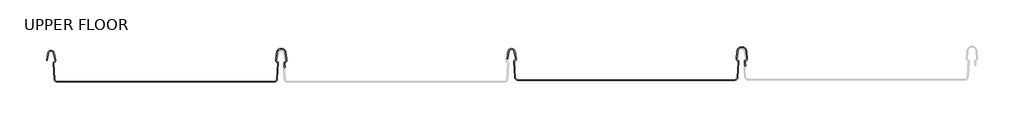
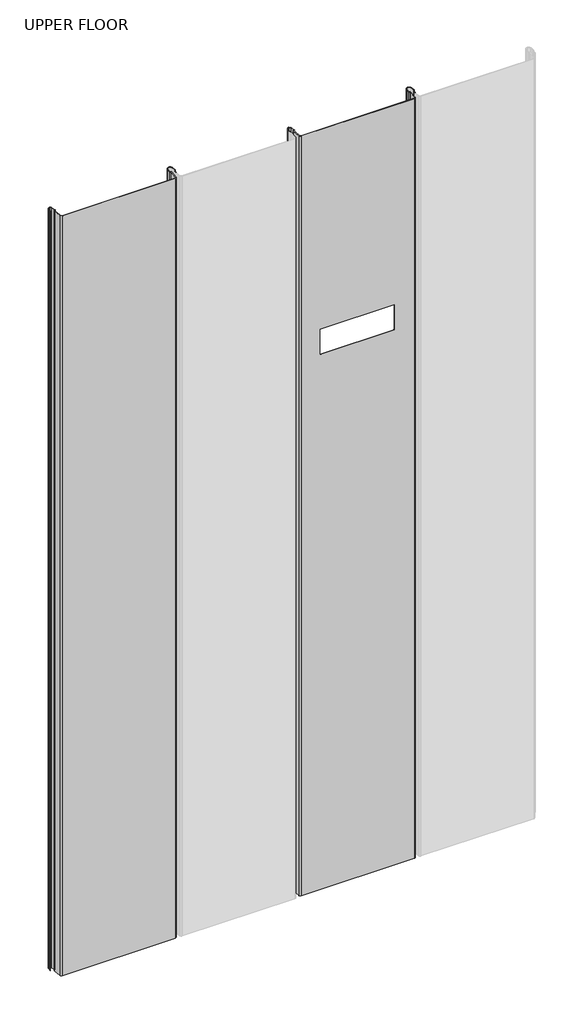
# One storey, part 1 of 2: 2 beams.
"""IFC4 building model written with IfcOpenShell, lengths in millimetres."""

from ifc_helpers import new_model, si_unit, frame, origin, place, context, project, spatial, polyline, circle_curve, element, save
from ifc_brep_helpers import plane_surface, cylinder_surface, revolved_surface, advanced_brep

model = new_model("IFC4")

# Units and contexts
model_context = context("Model", 3, world=origin())
ifc_project = project(units=[si_unit("LENGTHUNIT", "METRE", prefix="MILLI")], contexts=[model_context])

# Site, building, storey
site = spatial("IfcSite", under=ifc_project)
building = spatial("IfcBuilding", under=site)
storey = spatial("IfcBuildingStorey", under=building, Name="UPPER FLOOR", Elevation=2700.0)

# Beams
placement = place(None, origin())
element("IfcBeam", 1, at=placement, inside=storey, context=model_context, shape_type="AdvancedBrep", body=[
    advanced_brep(
    [(6674.6074812, 628.2201201, -1950.7143486), (6679.1415066, 631.9956988, -1950.7143486), (6683.6483211, 628.356375, -1950.7143486), (6686.0953205, 616.997438, -1950.7143486), (6684.4366612, 614.5430386, -1950.7143486), (6683.2674963, 612.8319985, -1950.7143486), (6684.7580179, 589.4223075, -1950.7143486), (6688.4524696, 585.9574151, -1950.7143486), (7008.7014224, 585.9574151, -1950.7143486), (7012.3941998, 589.4263408, -1950.7143486), (7013.863703, 612.9103404, -1950.7143486), (7013.2357754, 613.8437584, -1950.7143486), (7011.0241375, 616.90955, -1950.7143486), (7011.9076763, 628.086053, -1950.7143486), (7019.1373283, 634.7667329, -1950.7143486), (7026.3669802, 628.086053, -1950.7143486), (7027.250519, 616.90955, -1950.7143486), (7025.0388811, 613.8437584, -1950.7143486), (7024.4109535, 612.9103404, -1950.7143486), (7024.8026679, 606.6503868, -1950.7143486), (7023.8007121, 606.6503868, -1950.7143486), (7023.3933033, 613.16115, -1950.7143486), (7024.7987192, 614.8146121, -1950.7143486), (7026.2531398, 616.8307426, -1950.7143486), (7025.3634494, 628.0850624, -1950.7143486), (7019.1373283, 633.7667329, -1950.7143486), (7012.9044722, 628.0060562, -1950.7143486), (7012.0168735, 616.7508552, -1950.7143486), (7013.4759373, 614.8146121, -1950.7143486), (7014.8813532, 613.16115, -1950.7143486), (7013.3922477, 589.3638883, -1950.7143486), (7008.7014224, 584.9574151, -1950.7143486), (6688.4527147, 584.9574151, -1950.7143486), (6683.7600388, 589.358765, -1950.7143486), (6682.2693043, 612.7718001, -1950.7143486), (6684.1728851, 615.5084126, -1950.7143486), (6685.1095284, 616.8249628, -1950.7143486), (6682.6938433, 628.029296, -1950.7143486), (6679.1309976, 630.9966846, -1950.7143486), (6675.6570034, 628.4009943, -1950.7143486), (6673.6297526, 617.2930037, -1950.7143486), (6672.6298927, 617.4770585, -1950.7143486), (7026.2531398, 616.8307426, 329.2856514), (7025.3634494, 628.0850624, 329.2856514), (7024.8026679, 606.6503868, 329.2856514), (7023.8007121, 606.6503868, 329.2856514), (6673.6297526, 617.2930037, 329.2856514), (6672.6298927, 617.4770585, 329.2856514), (6674.6074812, 628.2201201, 329.2856514), (6675.6570034, 628.4009943, 329.2856514), (6679.1309976, 630.9966846, 329.2856514), (6682.6938433, 628.029296, 329.2856514), (6685.1095284, 616.8249628, 329.2856514), (6684.1728851, 615.5084126, 329.2856514), (6682.2693043, 612.7718001, 329.2856514), (6683.7600388, 589.358765, 329.2856514), (6688.4527147, 584.9574151, 329.2856514), (7008.7014224, 584.9574151, 329.2856514), (7013.3922477, 589.3638883, 329.2856514), (7014.8813532, 613.16115, 329.2856514), (7013.4759373, 614.8146121, 329.2856514), (7012.0168735, 616.7508552, 329.2856514), (7012.9044722, 628.0060562, 329.2856514), (7019.1373283, 633.7667329, 329.2856514), (7024.7987192, 614.8146121, 329.2856514), (7023.3933033, 613.16115, 329.2856514), (7024.4109535, 612.9103404, 329.2856514), (7025.0388811, 613.8437584, 329.2856514), (7027.2439303, 616.9928949, 329.2856514), (7026.3669802, 628.086053, 329.2856514), (7019.1373283, 634.7667329, 329.2856514), (7011.9076763, 628.086053, 329.2856514), (7011.0241375, 616.90955, 329.2856514), (7013.2357754, 613.8437584, 329.2856514), (7013.863703, 612.9103404, 329.2856514), (7012.3941998, 589.4263408, 329.2856514), (7008.7014224, 585.9574151, 329.2856514), (6688.4524696, 585.9574151, 329.2856514), (6684.7580179, 589.4223075, 329.2856514), (6683.2674963, 612.8319985, 329.2856514), (6684.4366612, 614.5430386, 329.2856514), (6686.0953205, 616.997438, 329.2856514), (6683.6483211, 628.356375, 329.2856514), (6679.1415066, 631.9956988, 329.2856514), (6742.4354905, 584.9574151, -269.6767859), (6952.4354905, 584.9574151, -269.6767859), (6952.4354905, 584.9574151, -344.6767859), (6742.4354905, 584.9574151, -344.6767859), (6952.4354905, 585.9574151, -269.6767859), (6742.4354905, 585.9574151, -269.6767859), (6742.4354905, 585.9574151, -344.6767859), (6952.4354905, 585.9574151, -344.6767859)],
    [
        (0, 1, circle_curve(frame((6679.1415066, 627.3854943, -1950.7143486), z_axis=(0.0, 0.0, -1.0), x_axis=(1.0000000000000002, 0.0, 0.0)), 4.6102046)),
        (1, 2, circle_curve(frame((6679.1415066, 627.3854943, -1950.7143486), z_axis=(0.0, 0.0, -1.0), x_axis=(1.0000000000000002, 0.0, 0.0)), 4.6102046)),
        (2, 3),
        (3, 4, circle_curve(frame((6683.7111281, 616.8209995, -1950.7143486), z_axis=(0.0, 0.0, -1.0), x_axis=(1.0000000000000002, 0.0, 0.0)), 2.3907121)),
        (4, 5, circle_curve(frame((6684.9475588, 612.9389699, -1950.7143486), z_axis=(0.0, 0.0, 1.0), x_axis=(1.0000000000000002, 0.0, 0.0)), 1.6834645)),
        (5, 6),
        (6, 7, circle_curve(frame((6688.4505407, 589.6574146, -1950.7143486), z_axis=(0.0, 0.0, 1.0), x_axis=(1.0000000000000002, 0.0, 0.0)), 3.7)),
        (7, 8),
        (8, 9, circle_curve(frame((7008.7014224, 589.6574151, -1950.7143486), z_axis=(0.0, 0.0, 1.0), x_axis=(1.0000000000000002, 0.0, 0.0)), 3.7)),
        (9, 10),
        (10, 11, circle_curve(frame((7012.9417331, 612.9680324, -1950.7143486), z_axis=(0.0, 0.0, 1.0), x_axis=(1.0000000000000002, 0.0, 0.0)), 0.9237732)),
        (11, 12, circle_curve(frame((7013.9357977, 616.6793738, -1950.7143486), z_axis=(0.0, 0.0, -1.0), x_axis=(1.0000000000000002, 0.0, 0.0)), 2.9207441)),
        (12, 13),
        (13, 14, circle_curve(frame((7019.1373283, 627.5145256, -1950.7143486), z_axis=(0.0, 0.0, -1.0), x_axis=(1.0000000000000002, 0.0, 0.0)), 7.2522073)),
        (14, 15, circle_curve(frame((7019.1373283, 627.5145256, -1950.7143486), z_axis=(0.0, 0.0, -1.0), x_axis=(1.0000000000000002, 0.0, 0.0)), 7.2522073)),
        (15, 16),
        (16, 17, circle_curve(frame((7024.3374372, 616.681479, -1950.7143486), z_axis=(0.0, 0.0, -1.0), x_axis=(1.0000000000000002, 0.0, 0.0)), 2.9231288)),
        (17, 18, circle_curve(frame((7025.2398755, 613.0306274, -1950.7143486), z_axis=(0.0, 0.0, 1.0), x_axis=(1.0000000000000002, 0.0, 0.0)), 0.8376041)),
        (18, 19),
        (19, 20, circle_curve(frame((7024.30169, 606.6503868, -1950.7143486), z_axis=(0.0, 0.0, -1.0), x_axis=(1.0000000000000002, 0.0, 0.0)), 0.5009779)),
        (20, 21),
        (21, 22, circle_curve(frame((7025.2436194, 613.0124328, -1950.7143486), z_axis=(0.0, 0.0, -1.0), x_axis=(1.0000000000000002, 0.0, 0.0)), 1.856283)),
        (22, 23, circle_curve(frame((7024.3383695, 616.6793738, -1950.7143486), z_axis=(0.0, 0.0, 1.0), x_axis=(1.0000000000000002, 0.0, 0.0)), 1.9207441)),
        (23, 24),
        (24, 25, circle_curve(frame((7019.2143777, 627.5989584, -1950.7143486), z_axis=(0.0, 0.0, 1.0), x_axis=(1.0000000000000002, 0.0, 0.0)), 6.1682558)),
        (25, 26, circle_curve(frame((7019.2165026, 627.4288617, -1950.7143486), z_axis=(0.0, 0.0, 1.0), x_axis=(1.0000000000000002, 0.0, 0.0)), 6.3383658)),
        (26, 27),
        (27, 28, circle_curve(frame((7013.8403183, 616.6070561, -1950.7143486), z_axis=(0.0, 0.0, 1.0), x_axis=(1.0000000000000002, 0.0, 0.0)), 1.8291061)),
        (28, 29, circle_curve(frame((7013.125983, 613.0931353, -1950.7143486), z_axis=(0.0, 0.0, -1.0), x_axis=(1.0000000000000002, 0.0, 0.0)), 1.7566874)),
        (29, 30),
        (30, 31, circle_curve(frame((7008.7014224, 589.6574151, -1950.7143486), z_axis=(0.0, 0.0, -1.0), x_axis=(1.0000000000000002, 0.0, 0.0)), 4.7)),
        (31, 32),
        (32, 33, circle_curve(frame((6688.4527147, 589.6597325, -1950.7143486), z_axis=(0.0, 0.0, -1.0), x_axis=(1.0000000000000002, 0.0, 0.0)), 4.7023174)),
        (33, 34),
        (34, 35, circle_curve(frame((6684.9434161, 612.9420639, -1950.7143486), z_axis=(0.0, 0.0, -1.0), x_axis=(1.0000000000000002, 0.0, 0.0)), 2.6795268)),
        (35, 36, circle_curve(frame((6684.0400423, 616.5943787, -1950.7143486), z_axis=(0.0, 0.0, 1.0), x_axis=(1.0000000000000002, 0.0, 0.0)), 1.094061)),
        (36, 37),
        (37, 38, circle_curve(frame((6679.1309976, 627.3740945, -1950.7143486), z_axis=(0.0, 0.0, 1.0), x_axis=(1.0000000000000002, 0.0, 0.0)), 3.6225901)),
        (38, 39, circle_curve(frame((6679.1309976, 627.3740945, -1950.7143486), z_axis=(0.0, 0.0, 1.0), x_axis=(1.0000000000000002, 0.0, 0.0)), 3.6225901)),
        (39, 40),
        (40, 41, circle_curve(frame((6673.1298226, 617.3850311, -1950.7143486), z_axis=(0.0, 0.0, -1.0), x_axis=(1.0000000000000002, 0.0, 0.0)), 0.5083296)),
        (41, 0),
        (23, 42),
        (42, 43),
        (43, 24),
        (19, 44),
        (44, 45, circle_curve(frame((7024.30169, 606.6503868, 329.2856514), z_axis=(0.0, 0.0, -1.0), x_axis=(1.0000000000000002, 0.0, 0.0)), 0.5009779)),
        (45, 20),
        (40, 46),
        (46, 47, circle_curve(frame((6673.1298226, 617.3850311, 329.2856514), z_axis=(0.0, 0.0, -1.0), x_axis=(1.0000000000000002, 0.0, 0.0)), 0.5083296)),
        (47, 41),
        (48, 47),
        (46, 49),
        (49, 50, circle_curve(frame((6679.1309976, 627.3740945, 329.2856514), z_axis=(0.0, 0.0, -1.0), x_axis=(1.0000000000000002, 0.0, 0.0)), 3.6225901)),
        (50, 51, circle_curve(frame((6679.1309976, 627.3740945, 329.2856514), z_axis=(0.0, 0.0, -1.0), x_axis=(1.0000000000000002, 0.0, 0.0)), 3.6225901)),
        (51, 52),
        (52, 53, circle_curve(frame((6684.0400423, 616.5943787, 329.2856514), z_axis=(0.0, 0.0, -1.0), x_axis=(1.0000000000000002, 0.0, 0.0)), 1.094061)),
        (53, 54, circle_curve(frame((6684.9434161, 612.9420639, 329.2856514), z_axis=(0.0, 0.0, 1.0), x_axis=(1.0000000000000002, 0.0, 0.0)), 2.6795268)),
        (54, 55),
        (55, 56, circle_curve(frame((6688.4527147, 589.6597325, 329.2856514), z_axis=(0.0, 0.0, 1.0), x_axis=(1.0000000000000002, 0.0, 0.0)), 4.7023174)),
        (56, 57),
        (57, 58, circle_curve(frame((7008.7014224, 589.6574151, 329.2856514), z_axis=(0.0, 0.0, 1.0), x_axis=(1.0000000000000002, 0.0, 0.0)), 4.7)),
        (58, 59),
        (59, 60, circle_curve(frame((7013.125983, 613.0931353, 329.2856514), z_axis=(0.0, 0.0, 1.0), x_axis=(1.0000000000000002, 0.0, 0.0)), 1.7566874)),
        (60, 61, circle_curve(frame((7013.8403183, 616.6070561, 329.2856514), z_axis=(0.0, 0.0, -1.0), x_axis=(1.0000000000000002, 0.0, 0.0)), 1.8291061)),
        (61, 62),
        (62, 63, circle_curve(frame((7019.2165026, 627.4288617, 329.2856514), z_axis=(0.0, 0.0, -1.0), x_axis=(1.0000000000000002, 0.0, 0.0)), 6.3383658)),
        (63, 43, circle_curve(frame((7019.2143777, 627.5989584, 329.2856514), z_axis=(0.0, 0.0, -1.0), x_axis=(1.0000000000000002, 0.0, 0.0)), 6.1682558)),
        (42, 64, circle_curve(frame((7024.3383695, 616.6793738, 329.2856514), z_axis=(0.0, 0.0, -1.0), x_axis=(1.0000000000000002, 0.0, 0.0)), 1.9207441)),
        (64, 65, circle_curve(frame((7025.2436194, 613.0124328, 329.2856514), z_axis=(0.0, 0.0, 1.0), x_axis=(1.0000000000000002, 0.0, 0.0)), 1.856283)),
        (65, 45),
        (44, 66),
        (66, 67, circle_curve(frame((7025.2398755, 613.0306274, 329.2856514), z_axis=(0.0, 0.0, -1.0), x_axis=(1.0000000000000002, 0.0, 0.0)), 0.8376041)),
        (67, 68, circle_curve(frame((7024.3374372, 616.681479, 329.2856514), z_axis=(0.0, 0.0, 1.0), x_axis=(1.0000000000000002, 0.0, 0.0)), 2.9231288)),
        (68, 69),
        (69, 70, circle_curve(frame((7019.1373283, 627.5145256, 329.2856514), z_axis=(0.0, 0.0, 1.0), x_axis=(1.0000000000000002, 0.0, 0.0)), 7.2522073)),
        (70, 71, circle_curve(frame((7019.1373283, 627.5145256, 329.2856514), z_axis=(0.0, 0.0, 1.0), x_axis=(1.0000000000000002, 0.0, 0.0)), 7.2522073)),
        (71, 72),
        (72, 73, circle_curve(frame((7013.9357977, 616.6793738, 329.2856514), z_axis=(0.0, 0.0, 1.0), x_axis=(1.0000000000000002, 0.0, 0.0)), 2.9207441)),
        (73, 74, circle_curve(frame((7012.9417331, 612.9680324, 329.2856514), z_axis=(0.0, 0.0, -1.0), x_axis=(1.0000000000000002, 0.0, 0.0)), 0.9237732)),
        (74, 75),
        (75, 76, circle_curve(frame((7008.7014224, 589.6574151, 329.2856514), z_axis=(0.0, 0.0, -1.0), x_axis=(1.0000000000000002, 0.0, 0.0)), 3.7)),
        (76, 77),
        (77, 78, circle_curve(frame((6688.4505407, 589.6574146, 329.2856514), z_axis=(0.0, 0.0, -1.0), x_axis=(1.0000000000000002, 0.0, 0.0)), 3.7)),
        (78, 79),
        (79, 80, circle_curve(frame((6684.9475588, 612.9389699, 329.2856514), z_axis=(0.0, 0.0, -1.0), x_axis=(1.0000000000000002, 0.0, 0.0)), 1.6834645)),
        (80, 81, circle_curve(frame((6683.7111281, 616.8209995, 329.2856514), z_axis=(0.0, 0.0, 1.0), x_axis=(1.0000000000000002, 0.0, 0.0)), 2.3907121)),
        (81, 82),
        (82, 83, circle_curve(frame((6679.1415066, 627.3854943, 329.2856514), z_axis=(0.0, 0.0, 1.0), x_axis=(1.0000000000000002, 0.0, 0.0)), 4.6102046)),
        (83, 48, circle_curve(frame((6679.1415066, 627.3854943, 329.2856514), z_axis=(0.0, 0.0, 1.0), x_axis=(1.0000000000000002, 0.0, 0.0)), 4.6102046)),
        (48, 0),
        (39, 49),
        (38, 50),
        (37, 51),
        (36, 52),
        (35, 53),
        (34, 54),
        (33, 55),
        (32, 56),
        (31, 57),
        (84, 85),
        (85, 86),
        (86, 87),
        (87, 84),
        (30, 58),
        (29, 59),
        (28, 60),
        (27, 61),
        (26, 62),
        (25, 63),
        (22, 64),
        (21, 65),
        (18, 66),
        (17, 67),
        (16, 68),
        (15, 69),
        (14, 70),
        (13, 71),
        (12, 72),
        (11, 73),
        (10, 74),
        (9, 75),
        (8, 76),
        (7, 77),
        (88, 89),
        (89, 90),
        (90, 91),
        (91, 88),
        (6, 78),
        (5, 79),
        (4, 80),
        (3, 81),
        (2, 82),
        (1, 83),
        (84, 89),
        (88, 85),
        (86, 91),
        (90, 87),
    ],
    [
        plane_surface(frame((6672.6298927, 617.4770585, -1950.7143486), z_axis=(0.0, 0.0, -1.0), x_axis=(0.18103878268248982, 0.9834759575936985, 0.0))),
        plane_surface(frame((7025.3634494, 628.0850624, 329.2856514), z_axis=(-0.9968898625471325, -0.07880737243912733, 0.0), x_axis=(0.0, 0.0, -1.0))),
        cylinder_surface(frame((7024.30169, 606.6503868, -1950.7143486), z_axis=(0.0, 0.0, 1.0000000000000002), x_axis=(1.0000000000000002, 0.0, 0.0)), 0.5009779),
        cylinder_surface(frame((6673.1298226, 617.3850311, -1950.7143486), z_axis=(0.0, 0.0, 1.0000000000000002), x_axis=(1.0000000000000002, 0.0, 0.0)), 0.5083296),
        plane_surface(frame((6672.6298927, 617.4770585, 329.2856514), z_axis=(0.0, 0.0, 1.0), x_axis=(-0.18103878268248982, -0.9834759575936985, 0.0))),
        plane_surface(frame((6674.6074812, 628.2201201, 329.2856514), z_axis=(-0.9834759575936985, 0.18103878268248982, 0.0), x_axis=(0.0, 0.0, -1.0))),
        plane_surface(frame((6673.6297526, 617.2930037, 329.2856514), z_axis=(0.9837509798367418, -0.17953832368118636, 0.0), x_axis=(0.0, 0.0, -1.0))),
        revolved_surface(polyline([(6682.7535877, 627.3740945, -1950.7143486), (6682.7535877, 627.3740945, 329.2856514000009)]), (6679.1309976, 627.3740945, -1950.7143486), (0.0, 0.0, -1.0000000000000002)),
        plane_surface(frame((6682.6938433, 628.029296, 329.2856514), z_axis=(-0.9775378680635936, -0.2107598550523432, 0.0), x_axis=(0.0, 0.0, -1.0))),
        revolved_surface(polyline([(6685.1341033, 616.5943787, -1950.7143486), (6685.1341033, 616.5943787, 329.2856514000009)]), (6684.0400423, 616.5943787, -1950.7143486), (0.0, 0.0, -1.0000000000000002)),
        cylinder_surface(frame((6684.9434161, 612.9420639, -1950.7143486), z_axis=(0.0, 0.0, 1.0000000000000002), x_axis=(1.0000000000000002, 0.0, 0.0)), 2.6795268),
        plane_surface(frame((6682.2693043, 612.7718001, 329.2856514), z_axis=(-0.9979791357337672, -0.06354246328309314, 0.0), x_axis=(0.0, 0.0, -1.0))),
        cylinder_surface(frame((6688.4527147, 589.6597325, -1950.7143486), z_axis=(0.0, 0.0, 1.0000000000000002), x_axis=(1.0000000000000002, 0.0, 0.0)), 4.7023174),
        plane_surface(frame((6688.4527147, 584.9574151, 329.2856514), z_axis=(0.0, -1.0, 0.0), x_axis=(0.0, 0.0, -1.0))),
        cylinder_surface(frame((7008.7014224, 589.6574151, -1950.7143486), z_axis=(0.0, 0.0, 1.0000000000000002), x_axis=(1.0000000000000002, 0.0, 0.0)), 4.7),
        plane_surface(frame((7013.3922477, 589.3638883, 329.2856514), z_axis=(0.9980479368039749, -0.062452508687233885, 0.0), x_axis=(0.0, 0.0, -1.0))),
        cylinder_surface(frame((7013.125983, 613.0931353, -1950.7143486), z_axis=(0.0, 0.0, 1.0000000000000002), x_axis=(1.0000000000000002, 0.0, 0.0)), 1.7566874),
        revolved_surface(polyline([(7015.6694244, 616.6070561, -1950.7143486), (7015.6694244, 616.6070561, 329.2856514000009)]), (7013.8403183, 616.6070561, -1950.7143486), (0.0, 0.0, -1.0000000000000002)),
        plane_surface(frame((7012.0168735, 616.7508552, 329.2856514), z_axis=(0.9969048840808035, -0.0786171234263882, 0.0), x_axis=(0.0, 0.0, -1.0))),
        revolved_surface(polyline([(7025.5548684000005, 627.4288617, -1950.7143486), (7025.5548684000005, 627.4288617, 329.2856514000009)]), (7019.2165026, 627.4288617, -1950.7143486), (0.0, 0.0, -1.0000000000000002)),
        revolved_surface(polyline([(7025.3826335, 627.5989584, -1950.7143486), (7025.3826335, 627.5989584, 329.2856514000009)]), (7019.2143777, 627.5989584, -1950.7143486), (0.0, 0.0, -1.0000000000000002)),
        revolved_surface(polyline([(7026.2591136, 616.6793738, -1950.7143486), (7026.2591136, 616.6793738, 329.2856514000009)]), (7024.3383695, 616.6793738, -1950.7143486), (0.0, 0.0, -1.0000000000000002)),
        cylinder_surface(frame((7025.2436194, 613.0124328, -1950.7143486), z_axis=(0.0, 0.0, 1.0000000000000002), x_axis=(1.0000000000000002, 0.0, 0.0)), 1.856283),
        plane_surface(frame((7023.3933033, 613.16115, 329.2856514), z_axis=(-0.9980479368039776, -0.062452508687189226, 0.0), x_axis=(0.0, 0.0, -1.0))),
        plane_surface(frame((7024.8026679, 606.6503868, 329.2856514), z_axis=(0.9980479368039784, 0.06245250868717819, 0.0), x_axis=(0.0, 0.0, -1.0))),
        revolved_surface(polyline([(7026.0774796000005, 613.0306274, -1950.7143486), (7026.0774796000005, 613.0306274, 329.2856514000009)]), (7025.2398755, 613.0306274, -1950.7143486), (0.0, 0.0, -1.0000000000000002)),
        cylinder_surface(frame((7024.3374372, 616.681479, -1950.7143486), z_axis=(0.0, 0.0, 1.0000000000000002), x_axis=(1.0000000000000002, 0.0, 0.0)), 2.9231288),
        plane_surface(frame((7027.250519, 616.90955, 329.2856514), z_axis=(0.996889862547133, 0.07880737243912096, 0.0), x_axis=(0.0, 0.0, -1.0))),
        cylinder_surface(frame((7019.1373283, 627.5145256, -1950.7143486), z_axis=(0.0, 0.0, 1.0000000000000002), x_axis=(1.0000000000000002, 0.0, 0.0)), 7.2522073),
        plane_surface(frame((7011.9076763, 628.086053, 329.2856514), z_axis=(-0.9968898625471305, 0.07880737243915292, 0.0), x_axis=(0.0, 0.0, -1.0))),
        cylinder_surface(frame((7013.9357977, 616.6793738, -1950.7143486), z_axis=(0.0, 0.0, 1.0000000000000002), x_axis=(1.0000000000000002, 0.0, 0.0)), 2.9207441),
        revolved_surface(polyline([(7013.865506300001, 612.9680324, -1950.7143486), (7013.865506300001, 612.9680324, 329.2856514000009)]), (7012.9417331, 612.9680324, -1950.7143486), (0.0, 0.0, -1.0000000000000002)),
        plane_surface(frame((7013.863703, 612.9103404, 329.2856514), z_axis=(-0.9980479368039751, 0.062452508687230075, 0.0), x_axis=(0.0, 0.0, -1.0))),
        revolved_surface(polyline([(7012.4014224, 589.6574151, -1950.7143486), (7012.4014224, 589.6574151, 329.2856514000009)]), (7008.7014224, 589.6574151, -1950.7143486), (0.0, 0.0, -1.0000000000000002)),
        plane_surface(frame((7008.7014224, 585.9574151, 329.2856514), z_axis=(0.0, 1.0, 0.0), x_axis=(0.0, 0.0, -1.0))),
        revolved_surface(polyline([(6692.1505406999995, 589.6574146, -1950.7143486), (6692.1505406999995, 589.6574146, 329.2856514000009)]), (6688.4505407, 589.6574146, -1950.7143486), (0.0, 0.0, -1.0000000000000002)),
        plane_surface(frame((6684.7580179, 589.4223075, 329.2856514), z_axis=(0.9979791357337674, 0.06354246328309011, 0.0), x_axis=(0.0, 0.0, -1.0))),
        revolved_surface(polyline([(6686.6310232999995, 612.9389699, -1950.7143486), (6686.6310232999995, 612.9389699, 329.2856514000009)]), (6684.9475588, 612.9389699, -1950.7143486), (0.0, 0.0, -1.0000000000000002)),
        cylinder_surface(frame((6683.7111281, 616.8209995, -1950.7143486), z_axis=(0.0, 0.0, 1.0000000000000002), x_axis=(1.0000000000000002, 0.0, 0.0)), 2.3907121),
        plane_surface(frame((6686.0953205, 616.997438, 329.2856514), z_axis=(0.9775736456656274, 0.2105938444020015, 0.0), x_axis=(0.0, 0.0, -1.0))),
        cylinder_surface(frame((6679.1415066, 627.3854943, -1950.7143486), z_axis=(0.0, 0.0, 1.0000000000000002), x_axis=(1.0000000000000002, 0.0, 0.0)), 4.6102046),
        plane_surface(frame((6952.4354905, 386.3529593, -269.6767859), z_axis=(0.0, 0.0, -1.0), x_axis=(0.0, 1.0, 0.0))),
        plane_surface(frame((6952.4354905, 386.3529593, -344.6767859), z_axis=(0.0, 0.0, 1.0), x_axis=(0.0, -1.0, 0.0))),
        plane_surface(frame((6952.4354905, 386.3529593, -269.6767859), z_axis=(-1.0, 0.0, 0.0), x_axis=(0.0, 0.0, -1.0))),
        plane_surface(frame((6742.4354905, 596.3529593, -269.6767859), z_axis=(1.0, 0.0, 0.0), x_axis=(0.0, 0.0, -1.0))),
    ],
    [
        (0, [[1, 2, 3, 4, 5, 6, 7, 8, 9, 10, 11, 12, 13, 14, 15, 16, 17, 18, 19, 20, 21, 22, 23, 24, 25, 26, 27, 28, 29, 30, 31, 32, 33, 34, 35, 36, 37, 38, 39, 40, 41, 42]]),
        (1, [[-24, 43, 44, 45]]),
        (2, [[-20, 46, 47, 48]]),
        (3, [[-41, 49, 50, 51]]),
        (4, [[52, -50, 53, 54, 55, 56, 57, 58, 59, 60, 61, 62, 63, 64, 65, 66, 67, 68, -44, 69, 70, 71, -47, 72, 73, 74, 75, 76, 77, 78, 79, 80, 81, 82, 83, 84, 85, 86, 87, 88, 89, 90]]),
        (5, [[-42, -51, -52, 91]]),
        (6, [[-40, 92, -53, -49]]),
        (7, [[-39, 93, -54, -92]]),
        (7, [[-38, 94, -55, -93]]),
        (8, [[-37, 95, -56, -94]]),
        (9, [[-36, 96, -57, -95]]),
        (10, [[-35, 97, -58, -96]]),
        (11, [[-34, 98, -59, -97]]),
        (12, [[-33, 99, -60, -98]]),
        (13, [[-32, 100, -61, -99], [101, 102, 103, 104]]),
        (14, [[-31, 105, -62, -100]]),
        (15, [[-30, 106, -63, -105]]),
        (16, [[-29, 107, -64, -106]]),
        (17, [[-28, 108, -65, -107]]),
        (18, [[-27, 109, -66, -108]]),
        (19, [[-26, 110, -67, -109]]),
        (20, [[-25, -45, -68, -110]]),
        (21, [[-23, 111, -69, -43]]),
        (22, [[-22, 112, -70, -111]]),
        (23, [[-21, -48, -71, -112]]),
        (24, [[-19, 113, -72, -46]]),
        (25, [[-18, 114, -73, -113]]),
        (26, [[-17, 115, -74, -114]]),
        (27, [[-16, 116, -75, -115]]),
        (28, [[-15, 117, -76, -116]]),
        (28, [[-14, 118, -77, -117]]),
        (29, [[-13, 119, -78, -118]]),
        (30, [[-12, 120, -79, -119]]),
        (31, [[-11, 121, -80, -120]]),
        (32, [[-10, 122, -81, -121]]),
        (33, [[-9, 123, -82, -122]]),
        (34, [[-8, 124, -83, -123], [125, 126, 127, 128]]),
        (35, [[-7, 129, -84, -124]]),
        (36, [[-6, 130, -85, -129]]),
        (37, [[-5, 131, -86, -130]]),
        (38, [[-4, 132, -87, -131]]),
        (39, [[-3, 133, -88, -132]]),
        (40, [[-2, 134, -89, -133]]),
        (40, [[-1, -91, -90, -134]]),
        (41, [[135, -125, 136, -101]]),
        (42, [[137, -127, 138, -103]]),
        (43, [[-136, -128, -137, -102]]),
        (44, [[-135, -104, -138, -126]]),
    ],
),
])
element("IfcBeam", 2, at=placement, inside=storey, context=model_context, shape_type="AdvancedBrep", body=[
    advanced_brep(
    [(5994.6890107, 625.7201201, -1950.7143486), (5999.223036, 629.4956988, -1950.7143486), (6003.7298505, 625.856375, -1950.7143486), (6006.17685, 614.497438, -1950.7143486), (6004.5181906, 612.0430386, -1950.7143486), (6003.3490258, 610.3319985, -1950.7143486), (6004.8395474, 586.9223075, -1950.7143486), (6008.5339991, 583.4574151, -1950.7143486), (6328.7829519, 583.4574151, -1950.7143486), (6332.4757293, 586.9263408, -1950.7143486), (6333.9452325, 610.4103404, -1950.7143486), (6333.3173048, 611.3437584, -1950.7143486), (6331.105667, 614.40955, -1950.7143486), (6331.9892057, 625.586053, -1950.7143486), (6339.2188577, 632.2667329, -1950.7143486), (6346.4485097, 625.586053, -1950.7143486), (6347.3320485, 614.40955, -1950.7143486), (6345.1204106, 611.3437584, -1950.7143486), (6344.4924829, 610.4103404, -1950.7143486), (6344.8841974, 604.1503868, -1950.7143486), (6343.8822415, 604.1503868, -1950.7143486), (6343.4748327, 610.66115, -1950.7143486), (6344.8802487, 612.3146121, -1950.7143486), (6346.3346693, 614.3307426, -1950.7143486), (6345.4449789, 625.5850624, -1950.7143486), (6339.2188577, 631.2667329, -1950.7143486), (6332.9860017, 625.5060562, -1950.7143486), (6332.0984029, 614.2508552, -1950.7143486), (6333.5574668, 612.3146121, -1950.7143486), (6334.9628827, 610.66115, -1950.7143486), (6333.4737772, 586.8638883, -1950.7143486), (6328.7829519, 582.4574151, -1950.7143486), (6008.5342442, 582.4574151, -1950.7143486), (6003.8415682, 586.858765, -1950.7143486), (6002.3508338, 610.2718001, -1950.7143486), (6004.2544146, 613.0084126, -1950.7143486), (6005.1910579, 614.3249628, -1950.7143486), (6002.7753728, 625.529296, -1950.7143486), (5999.2125271, 628.4966846, -1950.7143486), (5995.7385329, 625.9009943, -1950.7143486), (5993.711282, 614.7930037, -1950.7143486), (5992.7114221, 614.9770585, -1950.7143486), (6346.3346693, 614.3307426, 329.2856514), (6345.4449789, 625.5850624, 329.2856514), (6344.8841974, 604.1503868, 329.2856514), (6343.8822415, 604.1503868, 329.2856514), (5993.711282, 614.7930037, 329.2856514), (5992.7114221, 614.9770585, 329.2856514), (5994.6890107, 625.7201201, 329.2856514), (5995.7385329, 625.9009943, 329.2856514), (5999.2125271, 628.4966846, 329.2856514), (6002.7753728, 625.529296, 329.2856514), (6005.1910579, 614.3249628, 329.2856514), (6004.2544146, 613.0084126, 329.2856514), (6002.3508338, 610.2718001, 329.2856514), (6003.8415682, 586.858765, 329.2856514), (6008.5342442, 582.4574151, 329.2856514), (6328.7829519, 582.4574151, 329.2856514), (6333.4737772, 586.8638883, 329.2856514), (6334.9628827, 610.66115, 329.2856514), (6333.5574668, 612.3146121, 329.2856514), (6332.0984029, 614.2508552, 329.2856514), (6332.9860017, 625.5060562, 329.2856514), (6339.2188577, 631.2667329, 329.2856514), (6344.8802487, 612.3146121, 329.2856514), (6343.4748327, 610.66115, 329.2856514), (6344.4924829, 610.4103404, 329.2856514), (6345.1204106, 611.3437584, 329.2856514), (6347.3254598, 614.4928949, 329.2856514), (6346.4485097, 625.586053, 329.2856514), (6339.2188577, 632.2667329, 329.2856514), (6331.9892057, 625.586053, 329.2856514), (6331.105667, 614.40955, 329.2856514), (6333.3173048, 611.3437584, 329.2856514), (6333.9452325, 610.4103404, 329.2856514), (6332.4757293, 586.9263408, 329.2856514), (6328.7829519, 583.4574151, 329.2856514), (6008.5339991, 583.4574151, 329.2856514), (6004.8395474, 586.9223075, 329.2856514), (6003.3490258, 610.3319985, 329.2856514), (6004.5181906, 612.0430386, 329.2856514), (6006.17685, 614.497438, 329.2856514), (6003.7298505, 625.856375, 329.2856514), (5999.223036, 629.4956988, 329.2856514)],
    [
        (0, 1, circle_curve(frame((5999.223036, 624.8854943, -1950.7143486), z_axis=(0.0, 0.0, -1.0), x_axis=(1.0000000000000002, 0.0, 0.0)), 4.6102046)),
        (1, 2, circle_curve(frame((5999.223036, 624.8854943, -1950.7143486), z_axis=(0.0, 0.0, -1.0), x_axis=(1.0000000000000002, 0.0, 0.0)), 4.6102046)),
        (2, 3),
        (3, 4, circle_curve(frame((6003.7926576, 614.3209995, -1950.7143486), z_axis=(0.0, 0.0, -1.0), x_axis=(1.0000000000000002, 0.0, 0.0)), 2.3907121)),
        (4, 5, circle_curve(frame((6005.0290883, 610.4389699, -1950.7143486), z_axis=(0.0, 0.0, 1.0), x_axis=(1.0000000000000002, 0.0, 0.0)), 1.6834645)),
        (5, 6),
        (6, 7, circle_curve(frame((6008.5320702, 587.1574146, -1950.7143486), z_axis=(0.0, 0.0, 1.0), x_axis=(1.0000000000000002, 0.0, 0.0)), 3.7)),
        (7, 8),
        (8, 9, circle_curve(frame((6328.7829519, 587.1574151, -1950.7143486), z_axis=(0.0, 0.0, 1.0), x_axis=(1.0000000000000002, 0.0, 0.0)), 3.7)),
        (9, 10),
        (10, 11, circle_curve(frame((6333.0232626, 610.4680324, -1950.7143486), z_axis=(0.0, 0.0, 1.0), x_axis=(1.0000000000000002, 0.0, 0.0)), 0.9237732)),
        (11, 12, circle_curve(frame((6334.0173272, 614.1793738, -1950.7143486), z_axis=(0.0, 0.0, -1.0), x_axis=(1.0000000000000002, 0.0, 0.0)), 2.9207441)),
        (12, 13),
        (13, 14, circle_curve(frame((6339.2188577, 625.0145256, -1950.7143486), z_axis=(0.0, 0.0, -1.0), x_axis=(1.0000000000000002, 0.0, 0.0)), 7.2522073)),
        (14, 15, circle_curve(frame((6339.2188577, 625.0145256, -1950.7143486), z_axis=(0.0, 0.0, -1.0), x_axis=(1.0000000000000002, 0.0, 0.0)), 7.2522073)),
        (15, 16),
        (16, 17, circle_curve(frame((6344.4189667, 614.181479, -1950.7143486), z_axis=(0.0, 0.0, -1.0), x_axis=(1.0000000000000002, 0.0, 0.0)), 2.9231288)),
        (17, 18, circle_curve(frame((6345.3214049, 610.5306274, -1950.7143486), z_axis=(0.0, 0.0, 1.0), x_axis=(1.0000000000000002, 0.0, 0.0)), 0.8376041)),
        (18, 19),
        (19, 20, circle_curve(frame((6344.3832195, 604.1503868, -1950.7143486), z_axis=(0.0, 0.0, -1.0), x_axis=(1.0000000000000002, 0.0, 0.0)), 0.5009779)),
        (20, 21),
        (21, 22, circle_curve(frame((6345.3251489, 610.5124328, -1950.7143486), z_axis=(0.0, 0.0, -1.0), x_axis=(1.0000000000000002, 0.0, 0.0)), 1.856283)),
        (22, 23, circle_curve(frame((6344.419899, 614.1793738, -1950.7143486), z_axis=(0.0, 0.0, 1.0), x_axis=(1.0000000000000002, 0.0, 0.0)), 1.9207441)),
        (23, 24),
        (24, 25, circle_curve(frame((6339.2959072, 625.0989584, -1950.7143486), z_axis=(0.0, 0.0, 1.0), x_axis=(1.0000000000000002, 0.0, 0.0)), 6.1682558)),
        (25, 26, circle_curve(frame((6339.2980321, 624.9288617, -1950.7143486), z_axis=(0.0, 0.0, 1.0), x_axis=(1.0000000000000002, 0.0, 0.0)), 6.3383658)),
        (26, 27),
        (27, 28, circle_curve(frame((6333.9218477, 614.1070561, -1950.7143486), z_axis=(0.0, 0.0, 1.0), x_axis=(1.0000000000000002, 0.0, 0.0)), 1.8291061)),
        (28, 29, circle_curve(frame((6333.2075125, 610.5931353, -1950.7143486), z_axis=(0.0, 0.0, -1.0), x_axis=(1.0000000000000002, 0.0, 0.0)), 1.7566874)),
        (29, 30),
        (30, 31, circle_curve(frame((6328.7829519, 587.1574151, -1950.7143486), z_axis=(0.0, 0.0, -1.0), x_axis=(1.0000000000000002, 0.0, 0.0)), 4.7)),
        (31, 32),
        (32, 33, circle_curve(frame((6008.5342442, 587.1597325, -1950.7143486), z_axis=(0.0, 0.0, -1.0), x_axis=(1.0000000000000002, 0.0, 0.0)), 4.7023174)),
        (33, 34),
        (34, 35, circle_curve(frame((6005.0249456, 610.4420639, -1950.7143486), z_axis=(0.0, 0.0, -1.0), x_axis=(1.0000000000000002, 0.0, 0.0)), 2.6795268)),
        (35, 36, circle_curve(frame((6004.1215718, 614.0943787, -1950.7143486), z_axis=(0.0, 0.0, 1.0), x_axis=(1.0000000000000002, 0.0, 0.0)), 1.094061)),
        (36, 37),
        (37, 38, circle_curve(frame((5999.2125271, 624.8740945, -1950.7143486), z_axis=(0.0, 0.0, 1.0), x_axis=(1.0000000000000002, 0.0, 0.0)), 3.6225901)),
        (38, 39, circle_curve(frame((5999.2125271, 624.8740945, -1950.7143486), z_axis=(0.0, 0.0, 1.0), x_axis=(1.0000000000000002, 0.0, 0.0)), 3.6225901)),
        (39, 40),
        (40, 41, circle_curve(frame((5993.2113521, 614.8850311, -1950.7143486), z_axis=(0.0, 0.0, -1.0), x_axis=(1.0000000000000002, 0.0, 0.0)), 0.5083296)),
        (41, 0),
        (42, 43),
        (43, 24),
        (23, 42),
        (44, 45, circle_curve(frame((6344.3832195, 604.1503868, 329.2856514), z_axis=(0.0, 0.0, -1.0), x_axis=(1.0000000000000002, 0.0, 0.0)), 0.5009779)),
        (45, 20),
        (19, 44),
        (46, 47, circle_curve(frame((5993.2113521, 614.8850311, 329.2856514), z_axis=(0.0, 0.0, -1.0), x_axis=(1.0000000000000002, 0.0, 0.0)), 0.5083296)),
        (47, 41),
        (40, 46),
        (48, 47),
        (46, 49),
        (49, 50, circle_curve(frame((5999.2125271, 624.8740945, 329.2856514), z_axis=(0.0, 0.0, -1.0), x_axis=(1.0000000000000002, 0.0, 0.0)), 3.6225901)),
        (50, 51, circle_curve(frame((5999.2125271, 624.8740945, 329.2856514), z_axis=(0.0, 0.0, -1.0), x_axis=(1.0000000000000002, 0.0, 0.0)), 3.6225901)),
        (51, 52),
        (52, 53, circle_curve(frame((6004.1215718, 614.0943787, 329.2856514), z_axis=(0.0, 0.0, -1.0), x_axis=(1.0000000000000002, 0.0, 0.0)), 1.094061)),
        (53, 54, circle_curve(frame((6005.0249456, 610.4420639, 329.2856514), z_axis=(0.0, 0.0, 1.0), x_axis=(1.0000000000000002, 0.0, 0.0)), 2.6795268)),
        (54, 55),
        (55, 56, circle_curve(frame((6008.5342442, 587.1597325, 329.2856514), z_axis=(0.0, 0.0, 1.0), x_axis=(1.0000000000000002, 0.0, 0.0)), 4.7023174)),
        (56, 57),
        (57, 58, circle_curve(frame((6328.7829519, 587.1574151, 329.2856514), z_axis=(0.0, 0.0, 1.0), x_axis=(1.0000000000000002, 0.0, 0.0)), 4.7)),
        (58, 59),
        (59, 60, circle_curve(frame((6333.2075125, 610.5931353, 329.2856514), z_axis=(0.0, 0.0, 1.0), x_axis=(1.0000000000000002, 0.0, 0.0)), 1.7566874)),
        (60, 61, circle_curve(frame((6333.9218477, 614.1070561, 329.2856514), z_axis=(0.0, 0.0, -1.0), x_axis=(1.0000000000000002, 0.0, 0.0)), 1.8291061)),
        (61, 62),
        (62, 63, circle_curve(frame((6339.2980321, 624.9288617, 329.2856514), z_axis=(0.0, 0.0, -1.0), x_axis=(1.0000000000000002, 0.0, 0.0)), 6.3383658)),
        (63, 43, circle_curve(frame((6339.2959072, 625.0989584, 329.2856514), z_axis=(0.0, 0.0, -1.0), x_axis=(1.0000000000000002, 0.0, 0.0)), 6.1682558)),
        (42, 64, circle_curve(frame((6344.419899, 614.1793738, 329.2856514), z_axis=(0.0, 0.0, -1.0), x_axis=(1.0000000000000002, 0.0, 0.0)), 1.9207441)),
        (64, 65, circle_curve(frame((6345.3251489, 610.5124328, 329.2856514), z_axis=(0.0, 0.0, 1.0), x_axis=(1.0000000000000002, 0.0, 0.0)), 1.856283)),
        (65, 45),
        (44, 66),
        (66, 67, circle_curve(frame((6345.3214049, 610.5306274, 329.2856514), z_axis=(0.0, 0.0, -1.0), x_axis=(1.0000000000000002, 0.0, 0.0)), 0.8376041)),
        (67, 68, circle_curve(frame((6344.4189667, 614.181479, 329.2856514), z_axis=(0.0, 0.0, 1.0), x_axis=(1.0000000000000002, 0.0, 0.0)), 2.9231288)),
        (68, 69),
        (69, 70, circle_curve(frame((6339.2188577, 625.0145256, 329.2856514), z_axis=(0.0, 0.0, 1.0), x_axis=(1.0000000000000002, 0.0, 0.0)), 7.2522073)),
        (70, 71, circle_curve(frame((6339.2188577, 625.0145256, 329.2856514), z_axis=(0.0, 0.0, 1.0), x_axis=(1.0000000000000002, 0.0, 0.0)), 7.2522073)),
        (71, 72),
        (72, 73, circle_curve(frame((6334.0173272, 614.1793738, 329.2856514), z_axis=(0.0, 0.0, 1.0), x_axis=(1.0000000000000002, 0.0, 0.0)), 2.9207441)),
        (73, 74, circle_curve(frame((6333.0232626, 610.4680324, 329.2856514), z_axis=(0.0, 0.0, -1.0), x_axis=(1.0000000000000002, 0.0, 0.0)), 0.9237732)),
        (74, 75),
        (75, 76, circle_curve(frame((6328.7829519, 587.1574151, 329.2856514), z_axis=(0.0, 0.0, -1.0), x_axis=(1.0000000000000002, 0.0, 0.0)), 3.7)),
        (76, 77),
        (77, 78, circle_curve(frame((6008.5320702, 587.1574146, 329.2856514), z_axis=(0.0, 0.0, -1.0), x_axis=(1.0000000000000002, 0.0, 0.0)), 3.7)),
        (78, 79),
        (79, 80, circle_curve(frame((6005.0290883, 610.4389699, 329.2856514), z_axis=(0.0, 0.0, -1.0), x_axis=(1.0000000000000002, 0.0, 0.0)), 1.6834645)),
        (80, 81, circle_curve(frame((6003.7926576, 614.3209995, 329.2856514), z_axis=(0.0, 0.0, 1.0), x_axis=(1.0000000000000002, 0.0, 0.0)), 2.3907121)),
        (81, 82),
        (82, 83, circle_curve(frame((5999.223036, 624.8854943, 329.2856514), z_axis=(0.0, 0.0, 1.0), x_axis=(1.0000000000000002, 0.0, 0.0)), 4.6102046)),
        (83, 48, circle_curve(frame((5999.223036, 624.8854943, 329.2856514), z_axis=(0.0, 0.0, 1.0), x_axis=(1.0000000000000002, 0.0, 0.0)), 4.6102046)),
        (48, 0),
        (39, 49),
        (38, 50),
        (37, 51),
        (36, 52),
        (35, 53),
        (34, 54),
        (33, 55),
        (32, 56),
        (31, 57),
        (30, 58),
        (29, 59),
        (28, 60),
        (27, 61),
        (26, 62),
        (25, 63),
        (22, 64),
        (21, 65),
        (18, 66),
        (17, 67),
        (16, 68),
        (15, 69),
        (14, 70),
        (13, 71),
        (12, 72),
        (11, 73),
        (10, 74),
        (9, 75),
        (8, 76),
        (7, 77),
        (6, 78),
        (5, 79),
        (4, 80),
        (3, 81),
        (2, 82),
        (1, 83),
    ],
    [
        plane_surface(frame((5992.7114221, 614.9770585, -1950.7143486), z_axis=(0.0, 0.0, -1.0), x_axis=(0.18103878268248982, 0.9834759575936985, 0.0))),
        plane_surface(frame((6345.4449789, 625.5850624, 329.2856514), z_axis=(-0.9968898625471325, -0.07880737243912733, 0.0), x_axis=(0.0, 0.0, -1.0))),
        cylinder_surface(frame((6344.3832195, 604.1503868, -1950.7143486), z_axis=(0.0, 0.0, 1.0000000000000002), x_axis=(1.0000000000000002, 0.0, 0.0)), 0.5009779),
        cylinder_surface(frame((5993.2113521, 614.8850311, -1950.7143486), z_axis=(0.0, 0.0, 1.0000000000000002), x_axis=(1.0000000000000002, 0.0, 0.0)), 0.5083296),
        plane_surface(frame((5992.7114221, 614.9770585, 329.2856514), z_axis=(0.0, 0.0, 1.0), x_axis=(-0.18103878268248982, -0.9834759575936985, 0.0))),
        plane_surface(frame((5994.6890107, 625.7201201, 329.2856514), z_axis=(-0.9834759575936985, 0.18103878268248982, 0.0), x_axis=(0.0, 0.0, -1.0))),
        plane_surface(frame((5993.711282, 614.7930037, 329.2856514), z_axis=(0.9837509798367418, -0.17953832368118636, 0.0), x_axis=(0.0, 0.0, -1.0))),
        revolved_surface(polyline([(6002.8351172, 624.8740945, -1950.7143486), (6002.8351172, 624.8740945, 329.2856514000009)]), (5999.2125271, 624.8740945, -1950.7143486), (0.0, 0.0, -1.0000000000000002)),
        plane_surface(frame((6002.7753728, 625.529296, 329.2856514), z_axis=(-0.9775378680635936, -0.2107598550523432, 0.0), x_axis=(0.0, 0.0, -1.0))),
        revolved_surface(polyline([(6005.2156328, 614.0943787, -1950.7143486), (6005.2156328, 614.0943787, 329.2856514000009)]), (6004.1215718, 614.0943787, -1950.7143486), (0.0, 0.0, -1.0000000000000002)),
        cylinder_surface(frame((6005.0249456, 610.4420639, -1950.7143486), z_axis=(0.0, 0.0, 1.0000000000000002), x_axis=(1.0000000000000002, 0.0, 0.0)), 2.6795268),
        plane_surface(frame((6002.3508338, 610.2718001, 329.2856514), z_axis=(-0.9979791357337672, -0.06354246328309314, 0.0), x_axis=(0.0, 0.0, -1.0))),
        cylinder_surface(frame((6008.5342442, 587.1597325, -1950.7143486), z_axis=(0.0, 0.0, 1.0000000000000002), x_axis=(1.0000000000000002, 0.0, 0.0)), 4.7023174),
        plane_surface(frame((6008.5342442, 582.4574151, 329.2856514), z_axis=(0.0, -1.0, 0.0), x_axis=(0.0, 0.0, -1.0))),
        cylinder_surface(frame((6328.7829519, 587.1574151, -1950.7143486), z_axis=(0.0, 0.0, 1.0000000000000002), x_axis=(1.0000000000000002, 0.0, 0.0)), 4.7),
        plane_surface(frame((6333.4737772, 586.8638883, 329.2856514), z_axis=(0.9980479368039749, -0.062452508687233885, 0.0), x_axis=(0.0, 0.0, -1.0))),
        cylinder_surface(frame((6333.2075125, 610.5931353, -1950.7143486), z_axis=(0.0, 0.0, 1.0000000000000002), x_axis=(1.0000000000000002, 0.0, 0.0)), 1.7566874),
        revolved_surface(polyline([(6335.7509538, 614.1070561, -1950.7143486), (6335.7509538, 614.1070561, 329.2856514000009)]), (6333.9218477, 614.1070561, -1950.7143486), (0.0, 0.0, -1.0000000000000002)),
        plane_surface(frame((6332.0984029, 614.2508552, 329.2856514), z_axis=(0.9969048840808035, -0.0786171234263882, 0.0), x_axis=(0.0, 0.0, -1.0))),
        revolved_surface(polyline([(6345.6363979, 624.9288617, -1950.7143486), (6345.6363979, 624.9288617, 329.2856514000009)]), (6339.2980321, 624.9288617, -1950.7143486), (0.0, 0.0, -1.0000000000000002)),
        revolved_surface(polyline([(6345.464163000001, 625.0989584, -1950.7143486), (6345.464163000001, 625.0989584, 329.2856514000009)]), (6339.2959072, 625.0989584, -1950.7143486), (0.0, 0.0, -1.0000000000000002)),
        revolved_surface(polyline([(6346.3406431, 614.1793738, -1950.7143486), (6346.3406431, 614.1793738, 329.2856514000009)]), (6344.419899, 614.1793738, -1950.7143486), (0.0, 0.0, -1.0000000000000002)),
        cylinder_surface(frame((6345.3251489, 610.5124328, -1950.7143486), z_axis=(0.0, 0.0, 1.0000000000000002), x_axis=(1.0000000000000002, 0.0, 0.0)), 1.856283),
        plane_surface(frame((6343.4748327, 610.66115, 329.2856514), z_axis=(-0.9980479368039776, -0.062452508687189226, 0.0), x_axis=(0.0, 0.0, -1.0))),
        plane_surface(frame((6344.8841974, 604.1503868, 329.2856514), z_axis=(0.9980479368039784, 0.06245250868717819, 0.0), x_axis=(0.0, 0.0, -1.0))),
        revolved_surface(polyline([(6346.159009, 610.5306274, -1950.7143486), (6346.159009, 610.5306274, 329.2856514000009)]), (6345.3214049, 610.5306274, -1950.7143486), (0.0, 0.0, -1.0000000000000002)),
        cylinder_surface(frame((6344.4189667, 614.181479, -1950.7143486), z_axis=(0.0, 0.0, 1.0000000000000002), x_axis=(1.0000000000000002, 0.0, 0.0)), 2.9231288),
        plane_surface(frame((6347.3320485, 614.40955, 329.2856514), z_axis=(0.996889862547133, 0.07880737243912096, 0.0), x_axis=(0.0, 0.0, -1.0))),
        cylinder_surface(frame((6339.2188577, 625.0145256, -1950.7143486), z_axis=(0.0, 0.0, 1.0000000000000002), x_axis=(1.0000000000000002, 0.0, 0.0)), 7.2522073),
        plane_surface(frame((6331.9892057, 625.586053, 329.2856514), z_axis=(-0.9968898625471305, 0.07880737243915292, 0.0), x_axis=(0.0, 0.0, -1.0))),
        cylinder_surface(frame((6334.0173272, 614.1793738, -1950.7143486), z_axis=(0.0, 0.0, 1.0000000000000002), x_axis=(1.0000000000000002, 0.0, 0.0)), 2.9207441),
        revolved_surface(polyline([(6333.9470358, 610.4680324, -1950.7143486), (6333.9470358, 610.4680324, 329.2856514000009)]), (6333.0232626, 610.4680324, -1950.7143486), (0.0, 0.0, -1.0000000000000002)),
        plane_surface(frame((6333.9452325, 610.4103404, 329.2856514), z_axis=(-0.9980479368039751, 0.062452508687230075, 0.0), x_axis=(0.0, 0.0, -1.0))),
        revolved_surface(polyline([(6332.4829518999995, 587.1574151, -1950.7143486), (6332.4829518999995, 587.1574151, 329.2856514000009)]), (6328.7829519, 587.1574151, -1950.7143486), (0.0, 0.0, -1.0000000000000002)),
        plane_surface(frame((6328.7829519, 583.4574151, 329.2856514), z_axis=(0.0, 1.0, 0.0), x_axis=(0.0, 0.0, -1.0))),
        revolved_surface(polyline([(6012.2320702, 587.1574146, -1950.7143486), (6012.2320702, 587.1574146, 329.2856514000009)]), (6008.5320702, 587.1574146, -1950.7143486), (0.0, 0.0, -1.0000000000000002)),
        plane_surface(frame((6004.8395474, 586.9223075, 329.2856514), z_axis=(0.9979791357337674, 0.06354246328309011, 0.0), x_axis=(0.0, 0.0, -1.0))),
        revolved_surface(polyline([(6006.7125528, 610.4389699, -1950.7143486), (6006.7125528, 610.4389699, 329.2856514000009)]), (6005.0290883, 610.4389699, -1950.7143486), (0.0, 0.0, -1.0000000000000002)),
        cylinder_surface(frame((6003.7926576, 614.3209995, -1950.7143486), z_axis=(0.0, 0.0, 1.0000000000000002), x_axis=(1.0000000000000002, 0.0, 0.0)), 2.3907121),
        plane_surface(frame((6006.17685, 614.497438, 329.2856514), z_axis=(0.9775736456656274, 0.2105938444020015, 0.0), x_axis=(0.0, 0.0, -1.0))),
        cylinder_surface(frame((5999.223036, 624.8854943, -1950.7143486), z_axis=(0.0, 0.0, 1.0000000000000002), x_axis=(1.0000000000000002, 0.0, 0.0)), 4.6102046),
    ],
    [
        (0, [[1, 2, 3, 4, 5, 6, 7, 8, 9, 10, 11, 12, 13, 14, 15, 16, 17, 18, 19, 20, 21, 22, 23, 24, 25, 26, 27, 28, 29, 30, 31, 32, 33, 34, 35, 36, 37, 38, 39, 40, 41, 42]]),
        (1, [[43, 44, -24, 45]]),
        (2, [[46, 47, -20, 48]]),
        (3, [[49, 50, -41, 51]]),
        (4, [[52, -49, 53, 54, 55, 56, 57, 58, 59, 60, 61, 62, 63, 64, 65, 66, 67, 68, -43, 69, 70, 71, -46, 72, 73, 74, 75, 76, 77, 78, 79, 80, 81, 82, 83, 84, 85, 86, 87, 88, 89, 90]]),
        (5, [[-52, 91, -42, -50]]),
        (6, [[-53, -51, -40, 92]]),
        (7, [[-54, -92, -39, 93]]),
        (7, [[-55, -93, -38, 94]]),
        (8, [[-56, -94, -37, 95]]),
        (9, [[-57, -95, -36, 96]]),
        (10, [[-58, -96, -35, 97]]),
        (11, [[-59, -97, -34, 98]]),
        (12, [[-60, -98, -33, 99]]),
        (13, [[-61, -99, -32, 100]]),
        (14, [[-62, -100, -31, 101]]),
        (15, [[-63, -101, -30, 102]]),
        (16, [[-64, -102, -29, 103]]),
        (17, [[-65, -103, -28, 104]]),
        (18, [[-66, -104, -27, 105]]),
        (19, [[-67, -105, -26, 106]]),
        (20, [[-68, -106, -25, -44]]),
        (21, [[-69, -45, -23, 107]]),
        (22, [[-70, -107, -22, 108]]),
        (23, [[-71, -108, -21, -47]]),
        (24, [[-72, -48, -19, 109]]),
        (25, [[-73, -109, -18, 110]]),
        (26, [[-74, -110, -17, 111]]),
        (27, [[-75, -111, -16, 112]]),
        (28, [[-76, -112, -15, 113]]),
        (28, [[-77, -113, -14, 114]]),
        (29, [[-78, -114, -13, 115]]),
        (30, [[-79, -115, -12, 116]]),
        (31, [[-80, -116, -11, 117]]),
        (32, [[-81, -117, -10, 118]]),
        (33, [[-82, -118, -9, 119]]),
        (34, [[-83, -119, -8, 120]]),
        (35, [[-84, -120, -7, 121]]),
        (36, [[-85, -121, -6, 122]]),
        (37, [[-86, -122, -5, 123]]),
        (38, [[-87, -123, -4, 124]]),
        (39, [[-88, -124, -3, 125]]),
        (40, [[-89, -125, -2, 126]]),
        (40, [[-90, -126, -1, -91]]),
    ],
),
])

save(model, "model.ifc")
